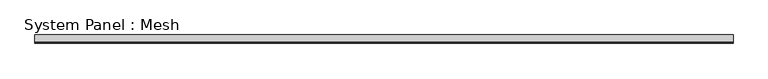
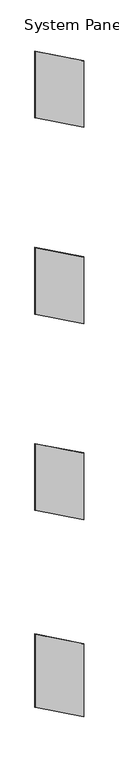
"""IFC4 building model written with IfcOpenShell, lengths in millimetres: plate geometry, System Panel : Mesh."""

from ifc_helpers import new_model, si_unit, frame, origin, place, context, project, spatial, polyline, outline, extrude, source, transform, mapped, element, save


def system_panel_mesh_3e4e9dfe(model_context):
    return source(origin(), model_context, "Body", "SweptSolid", [
        extrude(outline(polyline([(4881.0760461, -504.5), (4321.243788, 504.5), (5782.2991112, 504.5), (6342.1313693, -504.5), (4881.0760461, -504.5)])), frame((0.0, -5.0, 0.0), z_axis=(0.0, 1.0, 0.0), x_axis=(0.0, 0.0, 1.0)), (0.0, 0.0, 1.0), 10.0),
        extrude(outline(polyline([(9181.0760461, -504.5), (8621.243788, 504.5), (10082.2991112, 504.5), (10642.1313693, -504.5), (9181.0760461, -504.5)])), frame((0.0, -5.0, 0.0), z_axis=(0.0, 1.0, 0.0), x_axis=(0.0, 0.0, 1.0)), (0.0, 0.0, 1.0), 10.0),
        extrude(outline(polyline([(563.337469, -504.5), (0.0, 504.5), (1603.4205689, 504.5), (2166.7580379, -504.5), (563.337469, -504.5)])), frame((0.0, -5.0, 0.0), z_axis=(0.0, 1.0, 0.0), x_axis=(0.0, 0.0, 1.0)), (0.0, 0.0, 1.0), 10.0),
        extrude(outline(polyline([(13484.4525084, -504.5), (12923.3183149, 504.5), (14385.2508419, 504.5), (14946.3850354, -504.5), (13484.4525084, -504.5)])), frame((0.0, -5.0, 0.0), z_axis=(0.0, 1.0, 0.0), x_axis=(0.0, 0.0, 1.0)), (0.0, 0.0, 1.0), 10.0),
    ])


if __name__ == "__main__":
    model = new_model("IFC4")
    model_context = context("Model", 3, world=origin())
    ifc_project = project(units=[si_unit("LENGTHUNIT", "METRE", prefix="MILLI")], contexts=[model_context])
    site = spatial("IfcSite", under=ifc_project)
    building = spatial("IfcBuilding", under=site)
    placement = place(None, origin())
    system_panel_mesh_shape = system_panel_mesh_3e4e9dfe(model_context)
    element("IfcPlate", 1, ObjectType="System Panel : Mesh", at=placement, inside=building, context=model_context, shape_type="MappedRepresentation", body=[
        mapped(system_panel_mesh_shape, transform((0.0, 0.0, 0.0), x_axis=(1.0, 0.0, 0.0), y_axis=(0.0, 1.0, 0.0), z_axis=(0.0, 0.0, 1.0))),
    ])
    save(model, "model.ifc")
